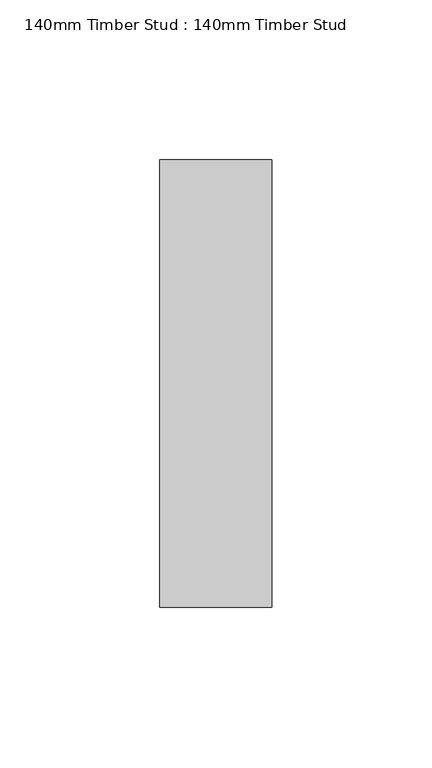
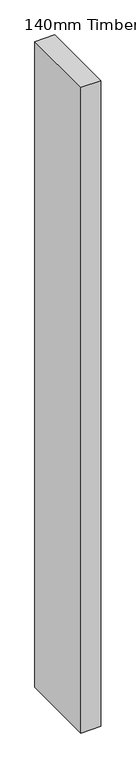
"""IFC4 building model written with IfcOpenShell, lengths in millimetres: proxy geometry, 140mm Timber Stud : 140mm Timber Stud."""

from ifc_helpers import new_model, si_unit, origin, origin_with_axes, place, context, project, spatial, polyline, outline, extrude, source, transform, mapped, element, save


def proxy_140mm_timber_stud_140mm_timber_stud_7738faf0(model_context):
    return source(origin(), model_context, "Body", "SweptSolid", [
        extrude(outline(polyline([(17.5, 70.0), (17.5, -70.0), (-17.5, -70.0), (-17.5, 70.0), (17.5, 70.0)])), origin_with_axes(), (0.0, 0.0, 1.0), 1200.0),
    ])


if __name__ == "__main__":
    model = new_model("IFC4")
    model_context = context("Model", 3, world=origin())
    ifc_project = project(units=[si_unit("LENGTHUNIT", "METRE", prefix="MILLI")], contexts=[model_context])
    site = spatial("IfcSite", under=ifc_project)
    building = spatial("IfcBuilding", under=site)
    placement = place(None, origin())
    proxy_140mm_timber_stud_140mm_timber_stud_shape = proxy_140mm_timber_stud_140mm_timber_stud_7738faf0(model_context)
    element("IfcBuildingElementProxy", 1, Name="140mm Timber Stud : 140mm Timber Stud", ObjectType="140mm Timber Stud : 140mm Timber Stud", at=placement, inside=building, context=model_context, shape_type="MappedRepresentation", body=[
        mapped(proxy_140mm_timber_stud_140mm_timber_stud_shape, transform((0.0, 0.0, 0.0), x_axis=(1.0, 0.0, 0.0), y_axis=(0.0, 1.0, 0.0), z_axis=(0.0, 0.0, 1.0))),
    ])
    save(model, "model.ifc")
